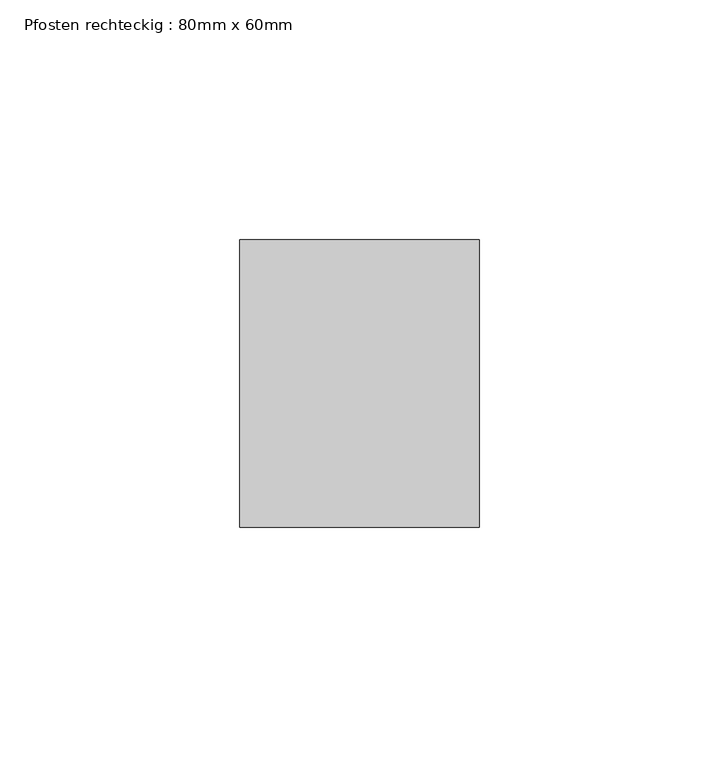
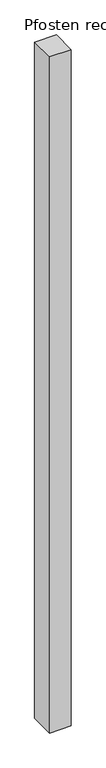
"""IFC4 building model written with IfcOpenShell, lengths in millimetres: member geometry, Pfosten rechteckig : 80mm x 60mm."""

from ifc_helpers import new_model, si_unit, frame, origin, place, context, project, spatial, polyline, outline, extrude, source, transform, mapped, element, save


def pfosten_rechteckig_80mm_x_60mm_f4d85ae6(model_context):
    return source(origin(), model_context, "Body", "SweptSolid", [
        extrude(outline(polyline([(0.0, 30.0), (0.0, -30.0), (-50.0, -30.0), (-50.0, 30.0), (0.0, 30.0)])), frame((0.0, 0.0, -1655.0), z_axis=(0.0, 0.0, 1.0), x_axis=(1.0, 0.0, 0.0)), (0.0, 0.0, 1.0), 1655.0),
    ])


if __name__ == "__main__":
    model = new_model("IFC4")
    model_context = context("Model", 3, world=origin())
    ifc_project = project(units=[si_unit("LENGTHUNIT", "METRE", prefix="MILLI")], contexts=[model_context])
    site = spatial("IfcSite", under=ifc_project)
    building = spatial("IfcBuilding", under=site)
    placement = place(None, origin())
    pfosten_rechteckig_80mm_x_60mm_shape = pfosten_rechteckig_80mm_x_60mm_f4d85ae6(model_context)
    element("IfcMember", 1, ObjectType="Pfosten rechteckig : 80mm x 60mm", at=placement, inside=building, context=model_context, shape_type="MappedRepresentation", body=[
        mapped(pfosten_rechteckig_80mm_x_60mm_shape, transform((0.0, 0.0, 0.0), x_axis=(1.0, 0.0, 0.0), y_axis=(0.0, 1.0, 0.0), z_axis=(0.0, 0.0, 1.0))),
    ])
    save(model, "model.ifc")
